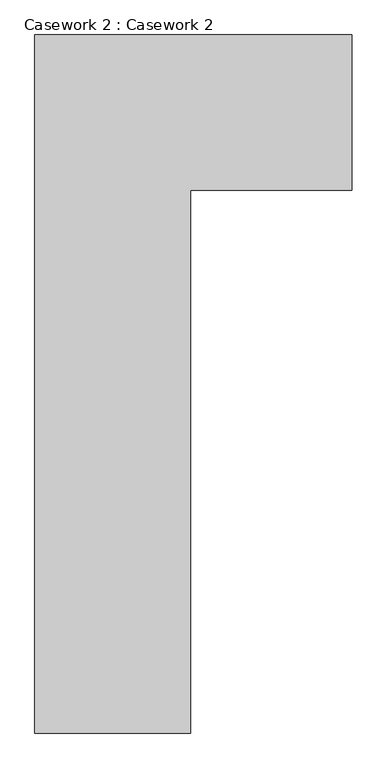
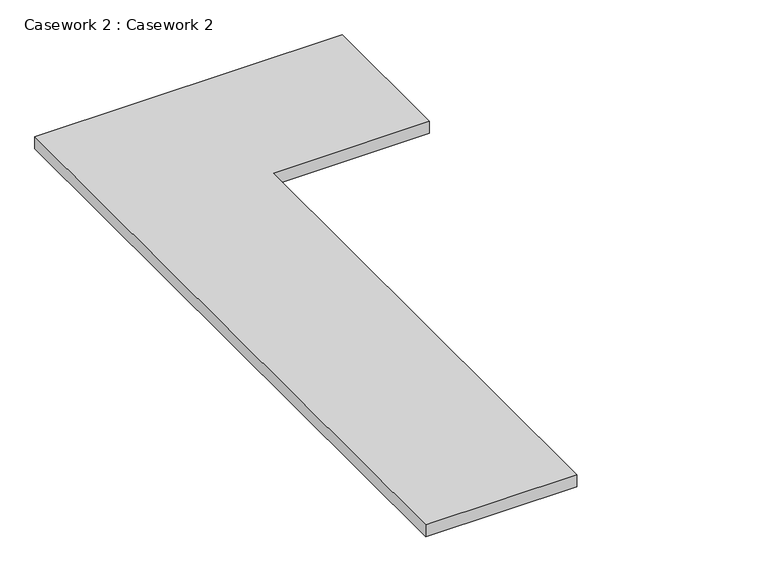
"""IFC4 building model written with IfcOpenShell, lengths in millimetres: furniture geometry, Casework 2 : Casework 2."""

from ifc_helpers import new_model, si_unit, frame, origin, place, context, project, spatial, polyline, outline, extrude, source, transform, mapped, element, save


def casework_2_casework_2_697e5138(model_context):
    return source(origin(), model_context, "Body", "SweptSolid", [
        extrude(outline(polyline([(3682.0512974, -127.2917365), (3682.0512974, 2615.9082635), (4928.6735093, 2615.9082635), (4928.6735093, 2004.7207635), (4294.8262974, 2004.7207635), (4294.8262974, -127.2917365), (3682.0512974, -127.2917365)])), frame((0.0, 0.0, 863.6), z_axis=(0.0, 0.0, 1.0), x_axis=(1.0, 0.0, 0.0)), (0.0, 0.0, 1.0), 50.8),
    ])


if __name__ == "__main__":
    model = new_model("IFC4")
    model_context = context("Model", 3, world=origin())
    ifc_project = project(units=[si_unit("LENGTHUNIT", "METRE", prefix="MILLI")], contexts=[model_context])
    site = spatial("IfcSite", under=ifc_project)
    building = spatial("IfcBuilding", under=site)
    placement = place(None, origin())
    casework_2_casework_2_shape = casework_2_casework_2_697e5138(model_context)
    element("IfcFurniture", 1, ObjectType="Casework 2 : Casework 2", at=placement, inside=building, context=model_context, shape_type="MappedRepresentation", body=[
        mapped(casework_2_casework_2_shape, transform((0.0, 0.0, 0.0), x_axis=(1.0, 0.0, 0.0), y_axis=(0.0, 1.0, 0.0), z_axis=(0.0, 0.0, 1.0))),
    ])
    save(model, "model.ifc")
